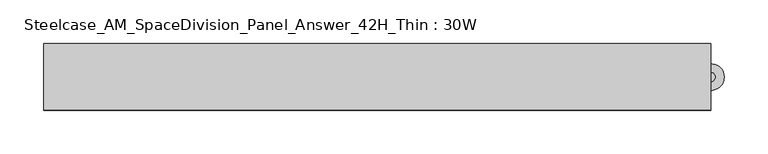
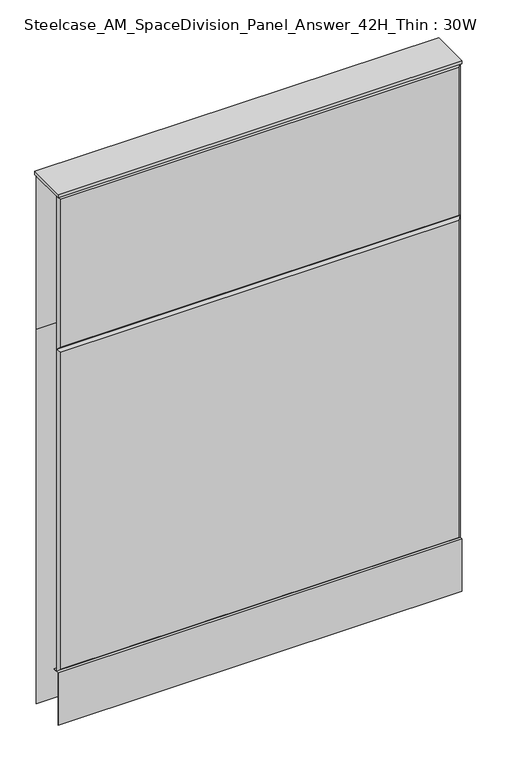
"""IFC4 building model written with IfcOpenShell, lengths in millimetres: furniture geometry, Steelcase_AM_SpaceDivision_Panel_Answer_42H_Thin : 30W."""

from ifc_helpers import new_model, si_unit, point, frame, frame_2d, origin, place, context, project, spatial, polyline, circle_curve, trimmed, segment, composite_curve, outline, extrude, faceted_brep, source, transform, mapped, element, save


def steelcase_am_spacedivision_panel_answer_42h_thin_30w_1477d5d5(model_context):
    return source(origin(), model_context, "Body", "SolidModel", [
        extrude(outline(polyline([(-37.3075215, 119.8575157), (-37.3075215, 15.494), (-38.1000194, 15.494), (-38.1000194, 120.65), (-25.4000011, 120.65), (-25.4000011, 119.8575157), (-37.3075215, 119.8575157)])), frame((-381.0, 0.0, 0.0), z_axis=(1.0, 0.0, 0.0), x_axis=(0.0, 1.0, 0.0)), (0.0, 0.0, 1.0), 762.0),
        extrude(outline(composite_curve([segment(trimmed(circle_curve(frame_2d((381.0, -1.94e-05)), 5.08), [point((386.08, -1.94e-05))], [point((375.92, -1.94e-05))], False, "CARTESIAN"), True, "CONTINUOUS"), segment(trimmed(circle_curve(frame_2d((381.0, -1.94e-05)), 5.08), [point((375.92, -1.94e-05))], [point((386.08, -1.94e-05))], False, "CARTESIAN"), True, "CONTINUOUS")], self_intersect=False)), frame((0.0, 0.0, 5.0799671), z_axis=(0.0, 0.0, 1.0), x_axis=(1.0, 0.0, 0.0)), (0.0, 0.0, 1.0), 10.414),
        extrude(outline(composite_curve([segment(trimmed(circle_curve(frame_2d((381.0, -1.94e-05)), 15.24), [point((396.24, -1.94e-05))], [point((365.76, -1.94e-05))], False, "CARTESIAN"), True, "CONTINUOUS"), segment(trimmed(circle_curve(frame_2d((381.0, -1.94e-05)), 15.24), [point((365.76, -1.94e-05))], [point((396.24, -1.94e-05))], False, "CARTESIAN"), True, "CONTINUOUS")], self_intersect=False)), frame((0.0, 0.0, -3.29e-05), z_axis=(0.0, 0.0, 1.0), x_axis=(1.0, 0.0, 0.0)), (0.0, 0.0, 1.0), 5.08),
        faceted_brep([(-376.174, 38.0960541, 1061.974), (376.174, 38.0960541, 1061.974), (376.174, 38.0960541, 766.826), (-376.174, 38.0960541, 766.826), (-381.0, 33.2700541, 1066.8), (-381.0, 33.2700541, 762.0), (381.0, 33.2700541, 762.0), (381.0, 33.2700541, 1066.8)], [[[0, 1, 2, 3]], [[4, 5, 6, 7]], [[4, 7, 1, 0]], [[7, 6, 2, 1]], [[6, 5, 3, 2]], [[5, 4, 0, 3]]]),
        faceted_brep([(-376.174, 38.0960541, 757.174), (376.174, 38.0960541, 757.174), (376.174, 38.0960541, 20.32), (-376.174, 38.0960541, 20.32), (-381.0, 33.2700541, 762.0), (-381.0, 33.2700541, 15.494), (381.0, 33.2700541, 15.494), (381.0, 33.2700541, 762.0)], [[[0, 1, 2, 3]], [[4, 5, 6, 7]], [[4, 7, 1, 0]], [[7, 6, 2, 1]], [[6, 5, 3, 2]], [[5, 4, 0, 3]]]),
        faceted_brep([(376.174, -38.0960541, 1061.974), (-376.174, -38.0960541, 1061.974), (-376.174, -38.0960541, 766.826), (376.174, -38.0960541, 766.826), (381.0, -33.2700541, 1066.8), (381.0, -33.2700541, 762.0), (-381.0, -33.2700541, 762.0), (-381.0, -33.2700541, 1066.8)], [[[0, 1, 2, 3]], [[4, 5, 6, 7]], [[4, 7, 1, 0]], [[7, 6, 2, 1]], [[6, 5, 3, 2]], [[5, 4, 0, 3]]]),
        faceted_brep([(376.174, -38.0960541, 757.174), (-376.174, -38.0960541, 757.174), (-376.174, -38.0960541, 125.476), (376.174, -38.0960541, 125.476), (381.0, -33.2700541, 762.0), (381.0, -33.2700541, 120.65), (-381.0, -33.2700541, 120.65), (-381.0, -33.2700541, 762.0)], [[[0, 1, 2, 3]], [[4, 5, 6, 7]], [[4, 7, 1, 0]], [[7, 6, 2, 1]], [[6, 5, 3, 2]], [[5, 4, 0, 3]]]),
        extrude(outline(polyline([(381.0, 38.1000194), (381.0, -38.1000194), (-381.0, -38.1000194), (-381.0, 38.1000194), (381.0, 38.1000194)])), frame((0.0, 0.0, 1066.8), z_axis=(0.0, 0.0, 1.0), x_axis=(1.0, 0.0, 0.0)), (0.0, 0.0, 1.0), 6.35),
    ])


if __name__ == "__main__":
    model = new_model("IFC4")
    model_context = context("Model", 3, world=origin())
    ifc_project = project(units=[si_unit("LENGTHUNIT", "METRE", prefix="MILLI")], contexts=[model_context])
    site = spatial("IfcSite", under=ifc_project)
    building = spatial("IfcBuilding", under=site)
    placement = place(None, origin())
    steelcase_am_spacedivision_panel_answer_42h_thin_30w_shape = steelcase_am_spacedivision_panel_answer_42h_thin_30w_1477d5d5(model_context)
    element("IfcFurniture", 1, ObjectType="Steelcase_AM_SpaceDivision_Panel_Answer_42H_Thin : 30W", at=placement, inside=building, context=model_context, shape_type="MappedRepresentation", body=[
        mapped(steelcase_am_spacedivision_panel_answer_42h_thin_30w_shape, transform((0.0, 0.0, 0.0), x_axis=(1.0, 0.0, 0.0), y_axis=(0.0, 1.0, 0.0), z_axis=(0.0, 0.0, 1.0))),
    ])
    save(model, "model.ifc")
